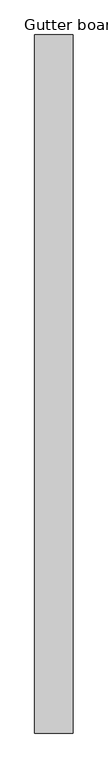
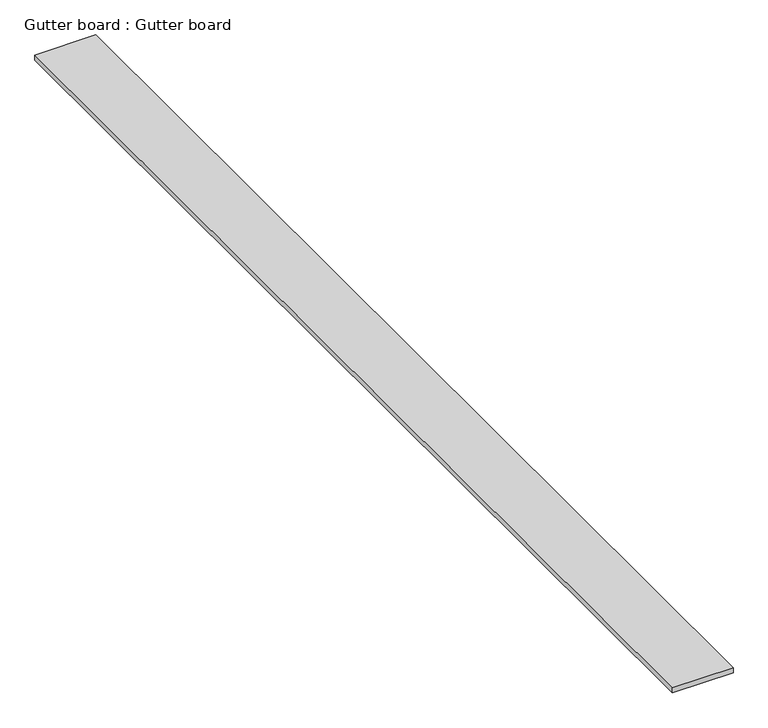
"""IFC4 building model written with IfcOpenShell, lengths in millimetres: proxy geometry, Gutter board : Gutter board."""

from ifc_helpers import new_model, si_unit, frame, origin, place, context, project, spatial, polyline, outline, extrude, source, transform, mapped, element, save


def gutter_board_gutter_board_2658ec7c(model_context):
    return source(origin(), model_context, "Body", "SweptSolid", [
        extrude(outline(polyline([(-1212.2849404, -4569.530835), (-1382.2849404, -4569.530835), (-1382.2849404, -1479.530835), (-1212.2849404, -1479.530835), (-1212.2849404, -4569.530835)])), frame((0.0, 0.0, 3784.2452806), z_axis=(0.0, 0.0, 1.0), x_axis=(1.0, 0.0, 0.0)), (0.0, 0.0, 1.0), 15.0),
    ])


if __name__ == "__main__":
    model = new_model("IFC4")
    model_context = context("Model", 3, world=origin())
    ifc_project = project(units=[si_unit("LENGTHUNIT", "METRE", prefix="MILLI")], contexts=[model_context])
    site = spatial("IfcSite", under=ifc_project)
    building = spatial("IfcBuilding", under=site)
    placement = place(None, origin())
    gutter_board_gutter_board_shape = gutter_board_gutter_board_2658ec7c(model_context)
    element("IfcBuildingElementProxy", 1, Name="Gutter board : Gutter board", ObjectType="Gutter board : Gutter board", at=placement, inside=building, context=model_context, shape_type="MappedRepresentation", body=[
        mapped(gutter_board_gutter_board_shape, transform((0.0, 0.0, 0.0), x_axis=(1.0, 0.0, 0.0), y_axis=(0.0, 1.0, 0.0), z_axis=(0.0, 0.0, 1.0))),
    ])
    save(model, "model.ifc")
